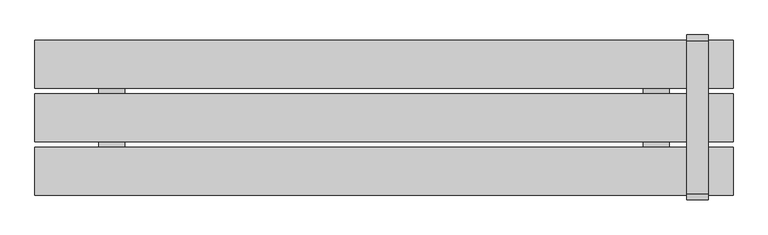
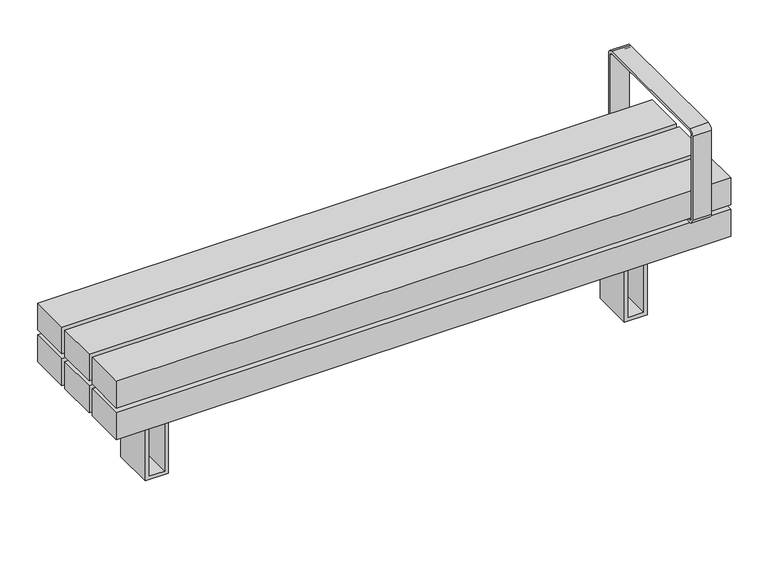
"""IFC4 building model written with IfcOpenShell, lengths in millimetres: furniture geometry."""

import ifcopenshell
import ifcopenshell.guid

model = None  # the IFC model being written
_history = None  # IfcOwnerHistory: only IFC2X3 demands one
_inside = {}  # id of a spatial element -> (the spatial element, [elements in it])
_under = {}  # id of a project, library or spatial element -> (it, [spatial elements below it])
_declared = {}  # id of a project -> (the project, [libraries it declares])
_typed = {}  # id of a type object -> (the type object, [elements of that type])
_made_of = {}  # id of a material, layer set ... -> (it, [elements and type objects made of it])


def new_model(schema):
    """Start an empty IFC model of exactly this schema.

    Asked for "IFC4X3", IfcOpenShell would pick the latest addendum, in which some entities
    have other attributes; the version numbers below select the first issue.
    IFC2X3 requires an IfcOwnerHistory on every rooted entity: one is made here for all.
    """
    global model, _history
    if schema == "IFC4X3":
        model = ifcopenshell.file(schema_version=(4, 3, 0, 0))
    else:
        model = ifcopenshell.file(schema=schema)
    _inside.clear()
    _under.clear()
    _declared.clear()
    _typed.clear()
    _made_of.clear()
    _history = None
    if model.schema == "IFC2X3":
        org = make("IfcOrganization", Name="unknown")
        user = make(
            "IfcPersonAndOrganization",
            ThePerson=make("IfcPerson", FamilyName="unknown"),
            TheOrganization=org,
        )
        app = make(
            "IfcApplication",
            ApplicationDeveloper=org,
            Version="unknown",
            ApplicationFullName="unknown",
            ApplicationIdentifier="unknown",
        )
        _history = make(
            "IfcOwnerHistory",
            OwningUser=user,
            OwningApplication=app,
            ChangeAction="ADDED",
            CreationDate=0,
        )
    return model


def make(cls, **values):
    """One entity of the class cls with the attributes given. An attribute that is None is left unset."""
    return model.create_entity(
        cls, **{name: value for name, value in values.items() if value is not None}
    )


def rooted(cls, **values):
    """An entity with a GlobalId (a new one), such as an element, a storey or a relation."""
    return make(cls, GlobalId=ifcopenshell.guid.new(), OwnerHistory=_history, **values)


def si_unit(unit_type, name, prefix=None):
    """IfcSIUnit, for example si_unit("LENGTHUNIT", "METRE", prefix="MILLI")."""
    return make("IfcSIUnit", UnitType=unit_type, Prefix=prefix, Name=name)


def assignment(units):
    """IfcUnitAssignment: the units of a project."""
    return None if units is None else make("IfcUnitAssignment", Units=units)


def point(xyz):
    """IfcCartesianPoint."""
    return None if xyz is None else make("IfcCartesianPoint", Coordinates=xyz)


def direction(xyz):
    """IfcDirection."""
    return None if xyz is None else make("IfcDirection", DirectionRatios=xyz)


def frame(location, z_axis=None, x_axis=None):
    """IfcAxis2Placement3D, a coordinate frame: its origin and axes. An axis left out is left unset."""
    return make(
        "IfcAxis2Placement3D",
        Location=point(location),
        Axis=direction(z_axis),
        RefDirection=direction(x_axis),
    )


def frame_2d(location, x_axis=None):
    """IfcAxis2Placement2D, a coordinate frame in the plane: its origin and x axis."""
    return make(
        "IfcAxis2Placement2D", Location=point(location), RefDirection=direction(x_axis)
    )


def origin():
    """The frame at (0, 0, 0) with its axes left unset."""
    return frame((0.0, 0.0, 0.0))


def place(relative_to, where):
    """IfcLocalPlacement: puts the frame where relative to a parent placement (None: the world)."""
    return make(
        "IfcLocalPlacement", PlacementRelTo=relative_to, RelativePlacement=where
    )


def context(
    kind, dimensions, precision=None, world=None, true_north=None, identifier=None
):
    """IfcGeometricRepresentationContext, for example the 3D "Model" context."""
    return make(
        "IfcGeometricRepresentationContext",
        ContextIdentifier=identifier,
        ContextType=kind,
        CoordinateSpaceDimension=dimensions,
        Precision=precision,
        WorldCoordinateSystem=world,
        TrueNorth=true_north,
    )


def project(units=None, contexts=None):
    """IfcProject with its units and contexts."""
    return rooted(
        "IfcProject",
        Name="project",
        RepresentationContexts=contexts,
        UnitsInContext=assignment(units),
    )


def spatial(cls, under=None, at=None, **own):
    """A site, building, storey or space (cls), placed at a placement, below another one or the project."""
    s = rooted(cls, ObjectPlacement=at, **own)
    if under is not None:
        _under.setdefault(under.id(), (under, []))[1].append(s)
    return s


def polyline(points):
    """IfcPolyline through the points."""
    return make("IfcPolyline", Points=[point(p) for p in points])


def circle_curve(where, radius):
    """IfcCircle in the frame where."""
    return make("IfcCircle", Position=where, Radius=radius)


def trimmed(basis, trim1, trim2, sense, master):
    """IfcTrimmedCurve: the piece of a basis curve between two trims."""
    return make(
        "IfcTrimmedCurve",
        BasisCurve=basis,
        Trim1=trim1,
        Trim2=trim2,
        SenseAgreement=sense,
        MasterRepresentation=master,
    )


def segment(curve, same_sense, transition):
    """IfcCompositeCurveSegment."""
    return make(
        "IfcCompositeCurveSegment",
        Transition=transition,
        SameSense=same_sense,
        ParentCurve=curve,
    )


def composite_curve(segments, self_intersect=None):
    """IfcCompositeCurve: segments joined end to end."""
    return make("IfcCompositeCurve", Segments=segments, SelfIntersect=self_intersect)


def outline(outer, holes=None, kind="AREA"):
    """IfcArbitraryClosedProfileDef: a profile drawn as a closed curve; with holes, ...WithVoids."""
    if holes is None:
        return make("IfcArbitraryClosedProfileDef", ProfileType=kind, OuterCurve=outer)
    return make(
        "IfcArbitraryProfileDefWithVoids",
        ProfileType=kind,
        OuterCurve=outer,
        InnerCurves=holes,
    )


def extrude(swept, where, along, depth):
    """IfcExtrudedAreaSolid: the profile swept, set in the frame where, extruded along a direction by depth."""
    return make(
        "IfcExtrudedAreaSolid",
        SweptArea=swept,
        Position=where,
        ExtrudedDirection=direction(along),
        Depth=depth,
    )


def shape(context_of_items, identifier, shape_type, items):
    """IfcShapeRepresentation: the items that make up one representation, for example the "Body"."""
    return make(
        "IfcShapeRepresentation",
        ContextOfItems=context_of_items,
        RepresentationIdentifier=identifier,
        RepresentationType=shape_type,
        Items=items,
    )


def source(mapping_origin, context_of_items, identifier, shape_type, items):
    """IfcRepresentationMap: a shape defined once, which mapped items show again and again."""
    return make(
        "IfcRepresentationMap",
        MappingOrigin=mapping_origin,
        MappedRepresentation=shape(context_of_items, identifier, shape_type, items),
    )


def transform(
    local_origin,
    x_axis=None,
    y_axis=None,
    z_axis=None,
    scale=None,
    scale2=None,
    scale3=None,
    uniform=True,
):
    """IfcCartesianTransformationOperator3D, or its non-uniform kind. x_axis, y_axis, z_axis: its Axis1, 2, 3."""
    if uniform:
        return make(
            "IfcCartesianTransformationOperator3D",
            Axis1=direction(x_axis),
            Axis2=direction(y_axis),
            LocalOrigin=point(local_origin),
            Scale=scale,
            Axis3=direction(z_axis),
        )
    return make(
        "IfcCartesianTransformationOperator3DnonUniform",
        Axis1=direction(x_axis),
        Axis2=direction(y_axis),
        LocalOrigin=point(local_origin),
        Scale=scale,
        Axis3=direction(z_axis),
        Scale2=scale2,
        Scale3=scale3,
    )


def mapped(mapping_source, mapping_target):
    """IfcMappedItem: shows the shape of a source again, moved by a transform."""
    return make(
        "IfcMappedItem", MappingSource=mapping_source, MappingTarget=mapping_target
    )


def made_of(thing, what):
    """Note that an element or type object is made of a material, layer set ...; save() writes the relation."""
    if what is not None:
        _made_of.setdefault(what.id(), (what, []))[1].append(thing)
    return thing


def element(
    cls,
    number,
    at=None,
    inside=None,
    cuts=None,
    type_object=None,
    material=None,
    context=None,
    identifier="Body",
    shape_type=None,
    held_by="IfcProductDefinitionShape",
    body=None,
    shapes=None,
    **own,
):
    """One element of the class cls, such as IfcWall. Its Tag is "e" and its number.

    at: its placement. inside: the storey or other place that contains it. cuts: it is an
    opening in that element (IfcRelVoidsElement). A single representation is given by context,
    identifier, shape_type and body (its items); several are given by shapes. held_by: the class
    of the entity that holds the representations. save() writes the other relations.
    """
    e = rooted(cls, Tag="e%d" % number, ObjectPlacement=at, **own)
    if body is not None:
        shapes = [shape(context, identifier, shape_type, body)]
    if shapes is not None:
        e.Representation = make(held_by, Representations=shapes)
    if inside is not None:
        _inside.setdefault(inside.id(), (inside, []))[1].append(e)
    if cuts is not None:
        rooted(
            "IfcRelVoidsElement", RelatingBuildingElement=cuts, RelatedOpeningElement=e
        )
    if type_object is not None:
        _typed.setdefault(type_object.id(), (type_object, []))[1].append(e)
    return made_of(e, material)


def aggregate(whole, parts):
    """IfcRelAggregates: a whole, such as a stair, and the parts it consists of."""
    return rooted("IfcRelAggregates", RelatingObject=whole, RelatedObjects=parts)


def save(model, path):
    """Write the relations noted so far, then the file.

    IfcRelAggregates (storeys below a building ...), IfcRelContainedInSpatialStructure (elements
    in a storey), IfcRelDefinesByType, IfcRelAssociatesMaterial and IfcRelDeclares: one each for
    every whole, place, type object, material and project.
    """
    for whole, parts in _under.values():
        aggregate(whole, parts)
    for where, things in _inside.values():
        rooted(
            "IfcRelContainedInSpatialStructure",
            RelatedElements=things,
            RelatingStructure=where,
        )
    for kind, things in _typed.values():
        rooted("IfcRelDefinesByType", RelatedObjects=things, RelatingType=kind)
    for what, things in _made_of.values():
        rooted("IfcRelAssociatesMaterial", RelatedObjects=things, RelatingMaterial=what)
    for by, libraries in _declared.values():
        rooted("IfcRelDeclares", RelatingContext=by, RelatedDefinitions=libraries)
    model.write(path)


def furniture_e9ed177c(model_context):
    return source(origin(), model_context, "Body", "SweptSolid", [
        extrude(outline(polyline([(351.8217453, 900.0000373), (351.8217453, -900.0), (268.7167987, -900.0), (268.7167987, 900.0000373), (351.8217453, 900.0000373)]), holes=[polyline([(339.8217453, -888.0), (339.8217453, 888.0), (280.7167987, 888.0), (280.7167987, -888.0), (339.8217453, -888.0)])]), frame((0.0, -61.5000218, 0.0), z_axis=(0.0, 1.0, 0.0), x_axis=(0.0, 0.0, 1.0)), (0.0, 0.0, 1.0), 123.0000435),
        extrude(outline(polyline([(258.7167987, 618.4244034), (258.7167987, 668.4244034), (0.0, 668.4244034), (0.0, 735.4649994), (258.7167987, 735.4649994), (258.7167987, 785.4649994), (268.7167987, 785.4649994), (268.7167987, 725.4649994), (10.0, 725.4649994), (10.0, 678.4244034), (268.7167987, 678.4244034), (268.7167987, 618.4244034), (258.7167987, 618.4244034)])), frame((0.0, -61.5083224, 0.0), z_axis=(0.0, 1.0, 0.0), x_axis=(0.0, 0.0, 1.0)), (0.0, 0.0, 1.0), 123.0166879),
        extrude(outline(polyline([(258.7167987, -785.6380966), (258.7167987, -735.6380966), (0.0, -735.6380966), (0.0, -668.5975006), (258.7167987, -668.5975006), (258.7167987, -618.5975006), (268.7167987, -618.5975006), (268.7167987, -678.5975006), (10.0, -678.5975006), (10.0, -725.6380966), (268.7167987, -725.6380966), (268.7167987, -785.6380966), (258.7167987, -785.6380966)])), frame((0.0, -61.5083224, 0.0), z_axis=(0.0, 1.0, 0.0), x_axis=(0.0, 0.0, 1.0)), (0.0, 0.0, 1.0), 123.0166879),
        extrude(outline(composite_curve([segment(polyline([(198.4124417, 351.8217453), (-196.5875583, 351.8217453)]), True, "CONTINUOUS"), segment(trimmed(circle_curve(frame_2d((-196.5875583, 366.8217453)), 15.0), [point((-196.5875583, 351.8217453))], [point((-211.5875583, 366.8217453))], False, "CARTESIAN"), True, "CONTINUOUS"), segment(polyline([(-211.5875583, 366.8217453), (-211.5875583, 626.8217453)]), True, "CONTINUOUS"), segment(trimmed(circle_curve(frame_2d((-196.5875583, 626.8217453)), 15.0), [point((-211.5875583, 626.8217453))], [point((-196.5875583, 641.8217453))], False, "CARTESIAN"), True, "CONTINUOUS"), segment(polyline([(-196.5875583, 641.8217453), (198.4124417, 641.8217453)]), True, "CONTINUOUS"), segment(trimmed(circle_curve(frame_2d((198.4124417, 626.8217453)), 15.0), [point((198.4124417, 641.8217453))], [point((213.4124417, 626.8217453))], False, "CARTESIAN"), True, "CONTINUOUS"), segment(polyline([(213.4124417, 626.8217453), (213.4124417, 366.8217453)]), True, "CONTINUOUS"), segment(trimmed(circle_curve(frame_2d((198.4124417, 366.8217453)), 15.0), [point((213.4124417, 366.8217453))], [point((198.4124417, 351.8217453))], False, "CARTESIAN"), True, "CONTINUOUS")], self_intersect=False), holes=[composite_curve([segment(trimmed(circle_curve(frame_2d((-196.5875583, 366.8217453)), 6.5), [point((-203.0875583, 366.8217453))], [point((-196.5875583, 360.3217453))], True, "CARTESIAN"), True, "CONTINUOUS"), segment(polyline([(-196.5875583, 360.3217453), (198.4124417, 360.3217453)]), True, "CONTINUOUS"), segment(trimmed(circle_curve(frame_2d((198.4124417, 366.8217453)), 6.5), [point((198.4124417, 360.3217453))], [point((204.9124417, 366.8217453))], True, "CARTESIAN"), True, "CONTINUOUS"), segment(polyline([(204.9124417, 366.8217453), (204.9124417, 626.8217453)]), True, "CONTINUOUS"), segment(trimmed(circle_curve(frame_2d((198.4124417, 626.8217453)), 6.5), [point((204.9124417, 626.8217453))], [point((198.4124417, 633.3217453))], True, "CARTESIAN"), True, "CONTINUOUS"), segment(polyline([(198.4124417, 633.3217453), (-196.5875583, 633.3217453)]), True, "CONTINUOUS"), segment(trimmed(circle_curve(frame_2d((-196.5875583, 626.8217453)), 6.5), [point((-196.5875583, 633.3217453))], [point((-203.0875583, 626.8217453))], True, "CARTESIAN"), True, "CONTINUOUS"), segment(polyline([(-203.0875583, 626.8217453), (-203.0875583, 366.8217453)]), True, "CONTINUOUS")], self_intersect=False)]), frame((781.1291871, 0.0, 0.0), z_axis=(1.0, 0.0, 0.0), x_axis=(0.0, 1.0, 0.0)), (0.0, 0.0, 1.0), 55.0),
        extrude(outline(polyline([(900.0, -76.5174894), (900.0, -199.5174894), (-900.0, -199.5174894), (-900.0, -76.5174894), (900.0, -76.5174894)])), frame((0.0, 0.0, 366.8258682), z_axis=(0.0, 0.0, 1.0), x_axis=(1.0, 0.0, 0.0)), (0.0, 0.0, 1.0), 83.1049466),
        extrude(outline(polyline([(900.0, 61.4888479), (900.0, -61.5111521), (-900.0, -61.5111521), (-900.0, 61.4888479), (900.0, 61.4888479)])), frame((0.0, 0.0, 366.8258682), z_axis=(0.0, 0.0, 1.0), x_axis=(1.0, 0.0, 0.0)), (0.0, 0.0, 1.0), 83.1049466),
        extrude(outline(polyline([(900.0, 199.4999782), (900.0, 76.4999782), (-900.0, 76.4999782), (-900.0, 199.4999782), (900.0, 199.4999782)])), frame((0.0, 0.0, 366.8258682), z_axis=(0.0, 0.0, 1.0), x_axis=(1.0, 0.0, 0.0)), (0.0, 0.0, 1.0), 83.1049466),
        extrude(outline(polyline([(900.0, -76.5174894), (900.0, -199.5174894), (-900.0, -199.5174894), (-900.0, -76.5174894), (900.0, -76.5174894)])), frame((0.0, 0.0, 268.7167987), z_axis=(0.0, 0.0, 1.0), x_axis=(1.0, 0.0, 0.0)), (0.0, 0.0, 1.0), 83.1049466),
        extrude(outline(polyline([(900.0, 199.4999782), (900.0, 76.4999782), (-900.0, 76.4999782), (-900.0, 199.4999782), (900.0, 199.4999782)])), frame((0.0, 0.0, 268.7167987), z_axis=(0.0, 0.0, 1.0), x_axis=(1.0, 0.0, 0.0)), (0.0, 0.0, 1.0), 83.1049466),
        extrude(outline(polyline([(735.4649994, -171.2111197), (668.4244034, -171.2111197), (668.4244034, 168.7288553), (735.4649994, 168.7288553), (735.4649994, -171.2111197)])), frame((0.0, 0.0, 351.8217453), z_axis=(0.0, 0.0, 1.0), x_axis=(1.0, 0.0, 0.0)), (0.0, 0.0, 1.0), 15.004123),
        extrude(outline(polyline([(-668.5975006, -171.2111197), (-735.6380966, -171.2111197), (-735.6380966, 168.7288553), (-668.5975006, 168.7288553), (-668.5975006, -171.2111197)])), frame((0.0, 0.0, 351.8217453), z_axis=(0.0, 0.0, 1.0), x_axis=(1.0, 0.0, 0.0)), (0.0, 0.0, 1.0), 15.004123),
    ])


if __name__ == "__main__":
    model = new_model("IFC4")
    model_context = context("Model", 3, world=origin())
    ifc_project = project(units=[si_unit("LENGTHUNIT", "METRE", prefix="MILLI")], contexts=[model_context])
    site = spatial("IfcSite", under=ifc_project)
    building = spatial("IfcBuilding", under=site)
    placement = place(None, origin())
    furniture_shape = furniture_e9ed177c(model_context)
    element("IfcFurniture", 1, at=placement, inside=building, context=model_context, shape_type="MappedRepresentation", body=[
        mapped(furniture_shape, transform((0.0, 0.0, 0.0), x_axis=(1.0, 0.0, 0.0), y_axis=(0.0, 1.0, 0.0), z_axis=(0.0, 0.0, 1.0))),
    ])
    save(model, "model.ifc")
